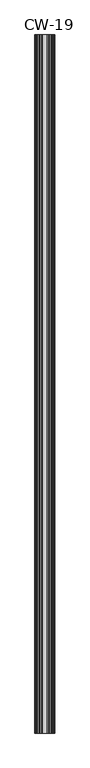
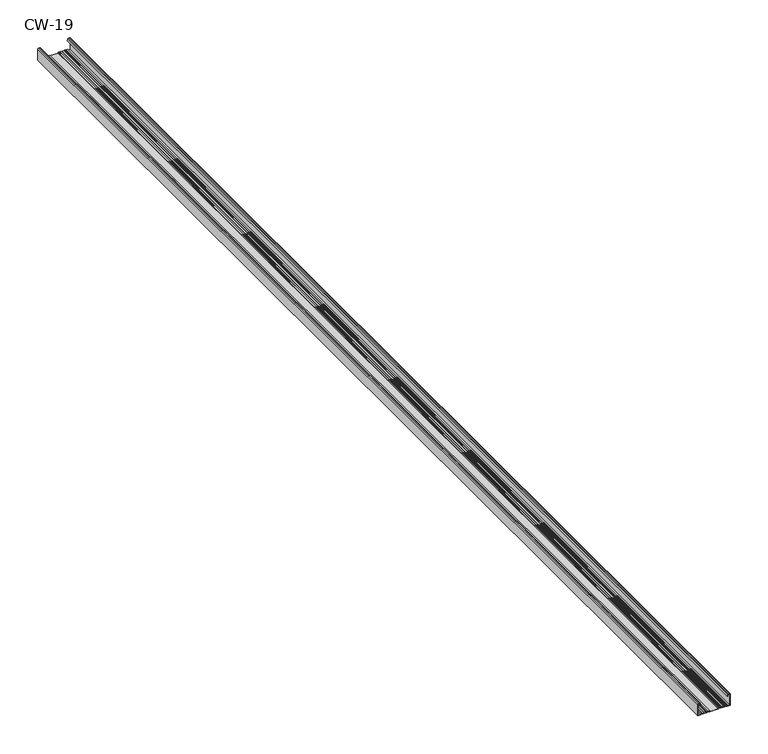
"""IFC4 building model written with IfcOpenShell, lengths in millimetres: proxy geometry, CW-19."""

from ifc_helpers import new_model, si_unit, point, frame, frame_2d, origin, place, context, project, spatial, polyline, circle_curve, trimmed, segment, composite_curve, outline, extrude, source, transform, mapped, element, save


def cw_19_03ca28fc(model_context):
    return source(origin(), model_context, "Body", "SweptSolid", [
        extrude(outline(composite_curve([segment(trimmed(circle_curve(frame_2d((-1.0, -24.0)), 0.5), [point((-1.0, -24.5))], [point((-0.5, -24.0))], True, "CARTESIAN"), True, "CONTINUOUS"), segment(polyline([(-0.5, -24.0), (-0.5, -21.6466568), (-3.1346768, -21.2973409), (-2.9940841, -20.5), (-0.4479055, -21.1481292)]), True, "CONTINUOUS"), segment(trimmed(circle_curve(frame_2d((-0.7947911, -21.8690108)), 0.8), [point((-0.4479055, -21.1481292))], [point((0.0, -21.7778679))], False, "CARTESIAN"), True, "CONTINUOUS"), segment(polyline([(0.0, -21.7778679), (0.0, -24.0)]), True, "CONTINUOUS"), segment(trimmed(circle_curve(frame_2d((-1.0, -24.0)), 1.0), [point((0.0, -24.0))], [point((-1.0, -25.0))], False, "CARTESIAN"), True, "CONTINUOUS"), segment(polyline([(-1.0, -25.0), (-19.0, -25.0), (-19.0, -20.1), (-17.7, -20.1), (-17.7, -19.2), (-18.5, -19.2), (-18.5, -17.0), (-17.7, -17.0), (-17.7, -16.2), (-18.5, -16.2), (-18.5, -14.0), (-17.7, -14.0), (-17.7, -13.1), (-18.5, -13.1), (-18.5, -10.9), (-17.7, -10.9), (-17.7, -10.1), (-18.5, -10.1), (-18.5, -7.9), (-17.7, -7.9), (-17.7, -7.0), (-19.0, -7.0), (-19.0, 7.0), (-17.7, 7.0), (-17.7, 7.9), (-18.5, 7.9), (-18.5, 10.1), (-17.7, 10.1), (-17.7, 10.9), (-18.5, 10.9), (-18.5, 13.1), (-17.7, 13.1), (-17.7, 14.0), (-18.5, 14.0), (-18.5, 16.2), (-17.7, 16.2), (-17.7, 17.0), (-18.5, 17.0), (-18.5, 19.2), (-17.7, 19.2), (-17.7, 20.1), (-19.0, 20.1), (-19.0, 25.0), (-1.0, 25.0)]), True, "CONTINUOUS"), segment(trimmed(circle_curve(frame_2d((-1.0, 24.0)), 1.0), [point((-1.0, 25.0))], [point((0.0, 24.0))], False, "CARTESIAN"), True, "CONTINUOUS"), segment(polyline([(0.0, 24.0), (0.0, 21.7778679)]), True, "CONTINUOUS"), segment(trimmed(circle_curve(frame_2d((-0.7947911, 21.8690108)), 0.8), [point((0.0, 21.7778679))], [point((-0.4479055, 21.1481292))], False, "CARTESIAN"), True, "CONTINUOUS"), segment(polyline([(-0.4479055, 21.1481292), (-2.9940841, 20.5), (-3.1346768, 21.2973409), (-0.5, 21.6466568), (-0.5, 24.0)]), True, "CONTINUOUS"), segment(trimmed(circle_curve(frame_2d((-1.0, 24.0)), 0.5), [point((-0.5, 24.0))], [point((-1.0, 24.5))], True, "CARTESIAN"), True, "CONTINUOUS"), segment(polyline([(-1.0, 24.5), (-18.5, 24.5), (-18.5, 20.6), (-17.2, 20.6), (-17.2, 18.7), (-18.0, 18.7), (-18.0, 17.5), (-17.2, 17.5), (-17.2, 15.7), (-18.0, 15.7), (-18.0, 14.5), (-17.2, 14.5), (-17.2, 12.6), (-18.0, 12.6), (-18.0, 11.4), (-17.2, 11.4), (-17.2, 9.6), (-18.0, 9.6), (-18.0, 8.4), (-17.2, 8.4), (-17.2, 6.5), (-18.5, 6.5), (-18.5, -6.5), (-17.2, -6.5), (-17.2, -8.4), (-18.0, -8.4), (-18.0, -9.6), (-17.2, -9.6), (-17.2, -11.4), (-18.0, -11.4), (-18.0, -12.6), (-17.2, -12.6), (-17.2, -14.5), (-18.0, -14.5), (-18.0, -15.7), (-17.2, -15.7), (-17.2, -17.5), (-18.0, -17.5), (-18.0, -18.7), (-17.2, -18.7), (-17.2, -20.6), (-18.5, -20.6), (-18.5, -24.5), (-1.0, -24.5)]), True, "CONTINUOUS")], self_intersect=False)), frame((0.0, 0.0, 0.0), z_axis=(0.0, 1.0, 0.0), x_axis=(0.0, 0.0, 1.0)), (0.0, 0.0, 1.0), 1750.0),
    ])


if __name__ == "__main__":
    model = new_model("IFC4")
    model_context = context("Model", 3, world=origin())
    ifc_project = project(units=[si_unit("LENGTHUNIT", "METRE", prefix="MILLI")], contexts=[model_context])
    site = spatial("IfcSite", under=ifc_project)
    building = spatial("IfcBuilding", under=site)
    placement = place(None, origin())
    cw_19_shape = cw_19_03ca28fc(model_context)
    element("IfcBuildingElementProxy", 1, Name="CW-19", ObjectType="CW-19", at=placement, inside=building, context=model_context, shape_type="MappedRepresentation", body=[
        mapped(cw_19_shape, transform((0.0, 0.0, 0.0), x_axis=(1.0, 0.0, 0.0), y_axis=(0.0, 1.0, 0.0), z_axis=(0.0, 0.0, 1.0))),
    ])
    save(model, "model.ifc")
